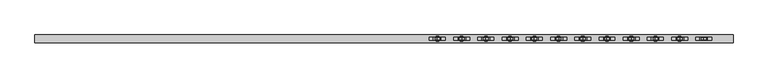
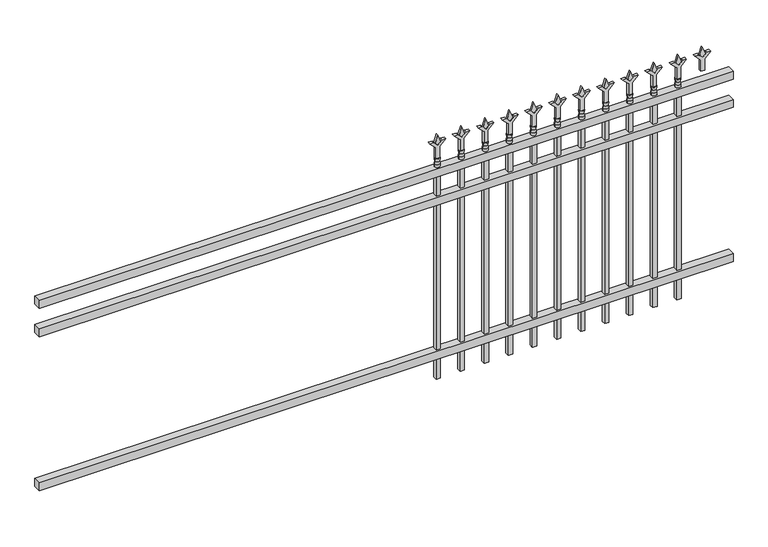
"""IFC4 building model written with IfcOpenShell, lengths in millimetres: railing geometry."""

from ifc_helpers import new_model, si_unit, frame, origin, place, context, project, spatial, polyline, circle_curve, outline, extrude, source, transform, mapped, element, save
from ifc_brep_helpers import plane_surface, cylinder_surface, revolved_surface, advanced_brep


def railing_80ea375d(model_context):
    return source(origin(), model_context, "Body", "SolidModel", [
        extrude(outline(polyline([(-79633.318087, -3091.1195174), (-79633.318087, -3056.1945174), (-76483.718087, -3056.1945174), (-76483.718087, -3091.1195174), (-79633.318087, -3091.1195174)])), frame((0.0, 0.0, 1028.7), z_axis=(0.0, 0.0, 1.0), x_axis=(1.0, 0.0, 0.0)), (0.0, 0.0, 1.0), 38.1),
        extrude(outline(polyline([(-79633.318087, -3091.1195174), (-79633.318087, -3056.1945174), (-76483.718087, -3056.1945174), (-76483.718087, -3091.1195174), (-79633.318087, -3091.1195174)])), frame((0.0, 0.0, 892.175), z_axis=(0.0, 0.0, 1.0), x_axis=(1.0, 0.0, 0.0)), (0.0, 0.0, 1.0), 38.1),
        extrude(outline(polyline([(-79633.318087, -3091.1195174), (-79633.318087, -3056.1945174), (-76483.718087, -3056.1945174), (-76483.718087, -3091.1195174), (-79633.318087, -3091.1195174)])), frame((0.0, 0.0, 152.4), z_axis=(0.0, 0.0, 1.0), x_axis=(1.0, 0.0, 0.0)), (0.0, 0.0, 1.0), 38.1),
        extrude(outline(polyline([(1183.48125, -76712.8472536), (1219.2, -76724.7535036), (1183.48125, -76736.6597536), (1171.575, -76724.7535036), (1183.48125, -76712.8472536)])), frame((0.0, -3078.4195174, 0.0), z_axis=(0.0, 1.0, 0.0), x_axis=(0.0, 0.0, 1.0)), (0.0, 0.0, 1.0), 9.525),
        extrude(outline(polyline([(1108.075, -76716.0222536), (1162.3457378, -76716.0222536), (1189.5355122, -76688.8324791), (1189.5355122, -76706.7929914), (1171.575, -76724.7535036), (1189.5355122, -76742.7140159), (1189.5355122, -76760.6745281), (1162.3457378, -76733.4847536), (1108.075, -76733.4847536), (1108.075, -76716.0222536)])), frame((0.0, -3080.0070174, 0.0), z_axis=(0.0, 1.0, 0.0), x_axis=(0.0, 0.0, 1.0)), (0.0, 0.0, 1.0), 12.7),
        advanced_brep(
        [(-76712.8472536, -3073.6570174, 1079.5), (-76736.6597536, -3073.6570174, 1079.5), (-76736.6597536, -3073.6570174, 1066.8), (-76712.8472536, -3073.6570174, 1066.8), (-76715.0525855, -3073.6570174, 1092.0070585), (-76734.4544218, -3073.6570174, 1092.0070585), (-76712.8472536, -3073.6570174, 1108.075), (-76736.6597536, -3073.6570174, 1108.075), (-76724.7535036, -3073.6570174, 1108.075), (-76724.7535036, -3073.6570174, 1066.8)],
        [
            (0, 1, circle_curve(frame((-76724.7535036, -3073.6570174, 1079.5), z_axis=(0.0, 0.0, -1.0), x_axis=(-1.0, 0.0, 0.0)), 11.90625)),
            (1, 2),
            (2, 3, circle_curve(frame((-76724.7535036, -3073.6570174, 1066.8), z_axis=(0.0, 0.0, 1.0), x_axis=(-1.0, 0.0, 0.0)), 11.90625)),
            (3, 0),
            (1, 0, circle_curve(frame((-76724.7535036, -3073.6570174, 1079.5), z_axis=(0.0, 0.0, -1.0), x_axis=(-1.0, 0.0, 0.0)), 11.90625)),
            (3, 2, circle_curve(frame((-76724.7535036, -3073.6570174, 1066.8), z_axis=(0.0, 0.0, 1.0), x_axis=(-1.0, 0.0, 0.0)), 11.90625)),
            (4, 5, circle_curve(frame((-76724.7535036, -3073.6570174, 1092.0070585), z_axis=(0.0, 0.0, -1.0), x_axis=(-1.0, 0.0, 0.0)), 9.7009181)),
            (5, 1),
            (0, 4),
            (5, 4, circle_curve(frame((-76724.7535036, -3073.6570174, 1092.0070585), z_axis=(0.0, 0.0, -1.0), x_axis=(-1.0, 0.0, 0.0)), 9.7009181)),
            (6, 7, circle_curve(frame((-76724.7535036, -3073.6570174, 1108.075), z_axis=(0.0, 0.0, -1.0), x_axis=(-1.0, 0.0, 0.0)), 11.90625)),
            (7, 5),
            (4, 6),
            (7, 6, circle_curve(frame((-76724.7535036, -3073.6570174, 1108.075), z_axis=(0.0, 0.0, -1.0), x_axis=(-1.0, 0.0, 0.0)), 11.90625)),
            (8, 7),
            (6, 8),
            (2, 9),
            (9, 3),
        ],
        [
            cylinder_surface(frame((-76724.7535036, -3073.6570174, 1066.8), z_axis=(0.0, 0.0, 1.0), x_axis=(-1.0, 0.0, 0.0)), 11.90625),
            revolved_surface(polyline([(-76736.6597536, -3073.6570174, 1079.5), (-76734.4544218, -3073.6570174, 1092.0070585)]), (-76724.7535036, -3073.6570174, 1066.8), (0.0, 0.0, 1.0)),
            revolved_surface(polyline([(-76734.4544218, -3073.6570174, 1092.0070585), (-76736.6597536, -3073.6570174, 1108.075)]), (-76724.7535036, -3073.6570174, 1066.8), (0.0, 0.0, 1.0)),
            plane_surface(frame((-76724.7535036, -3073.6570174, 1108.075), z_axis=(0.0, 0.0, 1.0), x_axis=(-1.0, 0.0, 0.0))),
            plane_surface(frame((-76724.7535036, -3073.6570174, 1066.8), z_axis=(0.0, 0.0, -1.0), x_axis=(-1.0, 0.0, 0.0))),
        ],
        [
            (0, [[1, 2, 3, 4]]),
            (0, [[5, -4, 6, -2]]),
            (1, [[7, 8, -1, 9]]),
            (1, [[10, -9, -5, -8]]),
            (2, [[11, 12, -7, 13]]),
            (2, [[14, -13, -10, -12]]),
            (3, [[15, -11, 16]]),
            (3, [[-16, -14, -15]]),
            (4, [[-3, 17, 18]]),
            (4, [[-6, -18, -17]]),
        ],
    ),
        extrude(outline(polyline([(-76734.2785036, -3064.1320174), (-76715.2285036, -3064.1320174), (-76715.2285036, -3083.1820174), (-76734.2785036, -3083.1820174), (-76734.2785036, -3064.1320174)])), frame((0.0, 0.0, 50.8), z_axis=(0.0, 0.0, 1.0), x_axis=(1.0, 0.0, 0.0)), (0.0, 0.0, 1.0), 1016.0),
        extrude(outline(polyline([(1183.48125, -76822.1201703), (1219.2, -76834.0264203), (1183.48125, -76845.9326703), (1171.575, -76834.0264203), (1183.48125, -76822.1201703)])), frame((0.0, -3078.4195174, 0.0), z_axis=(0.0, 1.0, 0.0), x_axis=(0.0, 0.0, 1.0)), (0.0, 0.0, 1.0), 9.525),
        extrude(outline(polyline([(1108.075, -76825.2951703), (1162.3457378, -76825.2951703), (1189.5355122, -76798.1053958), (1189.5355122, -76816.0659081), (1171.575, -76834.0264203), (1189.5355122, -76851.9869325), (1189.5355122, -76869.9474448), (1162.3457378, -76842.7576703), (1108.075, -76842.7576703), (1108.075, -76825.2951703)])), frame((0.0, -3080.0070174, 0.0), z_axis=(0.0, 1.0, 0.0), x_axis=(0.0, 0.0, 1.0)), (0.0, 0.0, 1.0), 12.7),
        advanced_brep(
        [(-76822.1201703, -3073.6570174, 1079.5), (-76845.9326703, -3073.6570174, 1079.5), (-76845.9326703, -3073.6570174, 1066.8), (-76822.1201703, -3073.6570174, 1066.8), (-76824.3255022, -3073.6570174, 1092.0070585), (-76843.7273384, -3073.6570174, 1092.0070585), (-76822.1201703, -3073.6570174, 1108.075), (-76845.9326703, -3073.6570174, 1108.075), (-76834.0264203, -3073.6570174, 1108.075), (-76834.0264203, -3073.6570174, 1066.8)],
        [
            (0, 1, circle_curve(frame((-76834.0264203, -3073.6570174, 1079.5), z_axis=(0.0, 0.0, -1.0), x_axis=(-1.0, 0.0, 0.0)), 11.90625)),
            (1, 2),
            (2, 3, circle_curve(frame((-76834.0264203, -3073.6570174, 1066.8), z_axis=(0.0, 0.0, 1.0), x_axis=(-1.0, 0.0, 0.0)), 11.90625)),
            (3, 0),
            (1, 0, circle_curve(frame((-76834.0264203, -3073.6570174, 1079.5), z_axis=(0.0, 0.0, -1.0), x_axis=(-1.0, 0.0, 0.0)), 11.90625)),
            (3, 2, circle_curve(frame((-76834.0264203, -3073.6570174, 1066.8), z_axis=(0.0, 0.0, 1.0), x_axis=(-1.0, 0.0, 0.0)), 11.90625)),
            (4, 5, circle_curve(frame((-76834.0264203, -3073.6570174, 1092.0070585), z_axis=(0.0, 0.0, -1.0), x_axis=(-1.0, 0.0, 0.0)), 9.7009181)),
            (5, 1),
            (0, 4),
            (5, 4, circle_curve(frame((-76834.0264203, -3073.6570174, 1092.0070585), z_axis=(0.0, 0.0, -1.0), x_axis=(-1.0, 0.0, 0.0)), 9.7009181)),
            (6, 7, circle_curve(frame((-76834.0264203, -3073.6570174, 1108.075), z_axis=(0.0, 0.0, -1.0), x_axis=(-1.0, 0.0, 0.0)), 11.90625)),
            (7, 5),
            (4, 6),
            (7, 6, circle_curve(frame((-76834.0264203, -3073.6570174, 1108.075), z_axis=(0.0, 0.0, -1.0), x_axis=(-1.0, 0.0, 0.0)), 11.90625)),
            (8, 7),
            (6, 8),
            (2, 9),
            (9, 3),
        ],
        [
            cylinder_surface(frame((-76834.0264203, -3073.6570174, 1066.8), z_axis=(0.0, 0.0, 1.0), x_axis=(-1.0, 0.0, 0.0)), 11.90625),
            revolved_surface(polyline([(-76845.9326703, -3073.6570174, 1079.5), (-76843.7273384, -3073.6570174, 1092.0070585)]), (-76834.0264203, -3073.6570174, 1066.8), (0.0, 0.0, 1.0)),
            revolved_surface(polyline([(-76843.7273384, -3073.6570174, 1092.0070585), (-76845.9326703, -3073.6570174, 1108.075)]), (-76834.0264203, -3073.6570174, 1066.8), (0.0, 0.0, 1.0)),
            plane_surface(frame((-76834.0264203, -3073.6570174, 1108.075), z_axis=(0.0, 0.0, 1.0), x_axis=(-1.0, 0.0, 0.0))),
            plane_surface(frame((-76834.0264203, -3073.6570174, 1066.8), z_axis=(0.0, 0.0, -1.0), x_axis=(-1.0, 0.0, 0.0))),
        ],
        [
            (0, [[1, 2, 3, 4]]),
            (0, [[5, -4, 6, -2]]),
            (1, [[7, 8, -1, 9]]),
            (1, [[10, -9, -5, -8]]),
            (2, [[11, 12, -7, 13]]),
            (2, [[14, -13, -10, -12]]),
            (3, [[15, -11, 16]]),
            (3, [[-16, -14, -15]]),
            (4, [[-3, 17, 18]]),
            (4, [[-6, -18, -17]]),
        ],
    ),
        extrude(outline(polyline([(-76843.5514203, -3064.1320174), (-76824.5014203, -3064.1320174), (-76824.5014203, -3083.1820174), (-76843.5514203, -3083.1820174), (-76843.5514203, -3064.1320174)])), frame((0.0, 0.0, 50.8), z_axis=(0.0, 0.0, 1.0), x_axis=(1.0, 0.0, 0.0)), (0.0, 0.0, 1.0), 1016.0),
        extrude(outline(polyline([(1183.48125, -76931.393087), (1219.2, -76943.299337), (1183.48125, -76955.205587), (1171.575, -76943.299337), (1183.48125, -76931.393087)])), frame((0.0, -3078.4195174, 0.0), z_axis=(0.0, 1.0, 0.0), x_axis=(0.0, 0.0, 1.0)), (0.0, 0.0, 1.0), 9.525),
        extrude(outline(polyline([(1108.075, -76934.568087), (1162.3457378, -76934.568087), (1189.5355122, -76907.3783125), (1189.5355122, -76925.3388247), (1171.575, -76943.299337), (1189.5355122, -76961.2598492), (1189.5355122, -76979.2203614), (1162.3457378, -76952.030587), (1108.075, -76952.030587), (1108.075, -76934.568087)])), frame((0.0, -3080.0070174, 0.0), z_axis=(0.0, 1.0, 0.0), x_axis=(0.0, 0.0, 1.0)), (0.0, 0.0, 1.0), 12.7),
        advanced_brep(
        [(-76931.393087, -3073.6570174, 1079.5), (-76955.205587, -3073.6570174, 1079.5), (-76955.205587, -3073.6570174, 1066.8), (-76931.393087, -3073.6570174, 1066.8), (-76933.5984188, -3073.6570174, 1092.0070585), (-76953.0002551, -3073.6570174, 1092.0070585), (-76931.393087, -3073.6570174, 1108.075), (-76955.205587, -3073.6570174, 1108.075), (-76943.299337, -3073.6570174, 1108.075), (-76943.299337, -3073.6570174, 1066.8)],
        [
            (0, 1, circle_curve(frame((-76943.299337, -3073.6570174, 1079.5), z_axis=(0.0, 0.0, -1.0), x_axis=(-1.0, 0.0, 0.0)), 11.90625)),
            (1, 2),
            (2, 3, circle_curve(frame((-76943.299337, -3073.6570174, 1066.8), z_axis=(0.0, 0.0, 1.0), x_axis=(-1.0, 0.0, 0.0)), 11.90625)),
            (3, 0),
            (1, 0, circle_curve(frame((-76943.299337, -3073.6570174, 1079.5), z_axis=(0.0, 0.0, -1.0), x_axis=(-1.0, 0.0, 0.0)), 11.90625)),
            (3, 2, circle_curve(frame((-76943.299337, -3073.6570174, 1066.8), z_axis=(0.0, 0.0, 1.0), x_axis=(-1.0, 0.0, 0.0)), 11.90625)),
            (4, 5, circle_curve(frame((-76943.299337, -3073.6570174, 1092.0070585), z_axis=(0.0, 0.0, -1.0), x_axis=(-1.0, 0.0, 0.0)), 9.7009181)),
            (5, 1),
            (0, 4),
            (5, 4, circle_curve(frame((-76943.299337, -3073.6570174, 1092.0070585), z_axis=(0.0, 0.0, -1.0), x_axis=(-1.0, 0.0, 0.0)), 9.7009181)),
            (6, 7, circle_curve(frame((-76943.299337, -3073.6570174, 1108.075), z_axis=(0.0, 0.0, -1.0), x_axis=(-1.0, 0.0, 0.0)), 11.90625)),
            (7, 5),
            (4, 6),
            (7, 6, circle_curve(frame((-76943.299337, -3073.6570174, 1108.075), z_axis=(0.0, 0.0, -1.0), x_axis=(-1.0, 0.0, 0.0)), 11.90625)),
            (8, 7),
            (6, 8),
            (2, 9),
            (9, 3),
        ],
        [
            cylinder_surface(frame((-76943.299337, -3073.6570174, 1066.8), z_axis=(0.0, 0.0, 1.0), x_axis=(-1.0, 0.0, 0.0)), 11.90625),
            revolved_surface(polyline([(-76955.205587, -3073.6570174, 1079.5), (-76953.0002551, -3073.6570174, 1092.0070585)]), (-76943.299337, -3073.6570174, 1066.8), (0.0, 0.0, 1.0)),
            revolved_surface(polyline([(-76953.0002551, -3073.6570174, 1092.0070585), (-76955.205587, -3073.6570174, 1108.075)]), (-76943.299337, -3073.6570174, 1066.8), (0.0, 0.0, 1.0)),
            plane_surface(frame((-76943.299337, -3073.6570174, 1108.075), z_axis=(0.0, 0.0, 1.0), x_axis=(-1.0, 0.0, 0.0))),
            plane_surface(frame((-76943.299337, -3073.6570174, 1066.8), z_axis=(0.0, 0.0, -1.0), x_axis=(-1.0, 0.0, 0.0))),
        ],
        [
            (0, [[1, 2, 3, 4]]),
            (0, [[5, -4, 6, -2]]),
            (1, [[7, 8, -1, 9]]),
            (1, [[10, -9, -5, -8]]),
            (2, [[11, 12, -7, 13]]),
            (2, [[14, -13, -10, -12]]),
            (3, [[15, -11, 16]]),
            (3, [[-16, -14, -15]]),
            (4, [[-3, 17, 18]]),
            (4, [[-6, -18, -17]]),
        ],
    ),
        extrude(outline(polyline([(-76952.824337, -3064.1320174), (-76933.774337, -3064.1320174), (-76933.774337, -3083.1820174), (-76952.824337, -3083.1820174), (-76952.824337, -3064.1320174)])), frame((0.0, 0.0, 50.8), z_axis=(0.0, 0.0, 1.0), x_axis=(1.0, 0.0, 0.0)), (0.0, 0.0, 1.0), 1016.0),
        extrude(outline(polyline([(1183.48125, -77040.6660036), (1219.2, -77052.5722536), (1183.48125, -77064.4785036), (1171.575, -77052.5722536), (1183.48125, -77040.6660036)])), frame((0.0, -3078.4195174, 0.0), z_axis=(0.0, 1.0, 0.0), x_axis=(0.0, 0.0, 1.0)), (0.0, 0.0, 1.0), 9.525),
        extrude(outline(polyline([(1108.075, -77043.8410036), (1162.3457378, -77043.8410036), (1189.5355122, -77016.6512291), (1189.5355122, -77034.6117414), (1171.575, -77052.5722536), (1189.5355122, -77070.5327659), (1189.5355122, -77088.4932781), (1162.3457378, -77061.3035036), (1108.075, -77061.3035036), (1108.075, -77043.8410036)])), frame((0.0, -3080.0070174, 0.0), z_axis=(0.0, 1.0, 0.0), x_axis=(0.0, 0.0, 1.0)), (0.0, 0.0, 1.0), 12.7),
        advanced_brep(
        [(-77040.6660036, -3073.6570174, 1079.5), (-77064.4785036, -3073.6570174, 1079.5), (-77064.4785036, -3073.6570174, 1066.8), (-77040.6660036, -3073.6570174, 1066.8), (-77042.8713355, -3073.6570174, 1092.0070585), (-77062.2731718, -3073.6570174, 1092.0070585), (-77040.6660036, -3073.6570174, 1108.075), (-77064.4785036, -3073.6570174, 1108.075), (-77052.5722536, -3073.6570174, 1108.075), (-77052.5722536, -3073.6570174, 1066.8)],
        [
            (0, 1, circle_curve(frame((-77052.5722536, -3073.6570174, 1079.5), z_axis=(0.0, 0.0, -1.0), x_axis=(-1.0, 0.0, 0.0)), 11.90625)),
            (1, 2),
            (2, 3, circle_curve(frame((-77052.5722536, -3073.6570174, 1066.8), z_axis=(0.0, 0.0, 1.0), x_axis=(-1.0, 0.0, 0.0)), 11.90625)),
            (3, 0),
            (1, 0, circle_curve(frame((-77052.5722536, -3073.6570174, 1079.5), z_axis=(0.0, 0.0, -1.0), x_axis=(-1.0, 0.0, 0.0)), 11.90625)),
            (3, 2, circle_curve(frame((-77052.5722536, -3073.6570174, 1066.8), z_axis=(0.0, 0.0, 1.0), x_axis=(-1.0, 0.0, 0.0)), 11.90625)),
            (4, 5, circle_curve(frame((-77052.5722536, -3073.6570174, 1092.0070585), z_axis=(0.0, 0.0, -1.0), x_axis=(-1.0, 0.0, 0.0)), 9.7009181)),
            (5, 1),
            (0, 4),
            (5, 4, circle_curve(frame((-77052.5722536, -3073.6570174, 1092.0070585), z_axis=(0.0, 0.0, -1.0), x_axis=(-1.0, 0.0, 0.0)), 9.7009181)),
            (6, 7, circle_curve(frame((-77052.5722536, -3073.6570174, 1108.075), z_axis=(0.0, 0.0, -1.0), x_axis=(-1.0, 0.0, 0.0)), 11.90625)),
            (7, 5),
            (4, 6),
            (7, 6, circle_curve(frame((-77052.5722536, -3073.6570174, 1108.075), z_axis=(0.0, 0.0, -1.0), x_axis=(-1.0, 0.0, 0.0)), 11.90625)),
            (8, 7),
            (6, 8),
            (2, 9),
            (9, 3),
        ],
        [
            cylinder_surface(frame((-77052.5722536, -3073.6570174, 1066.8), z_axis=(0.0, 0.0, 1.0), x_axis=(-1.0, 0.0, 0.0)), 11.90625),
            revolved_surface(polyline([(-77064.4785036, -3073.6570174, 1079.5), (-77062.2731718, -3073.6570174, 1092.0070585)]), (-77052.5722536, -3073.6570174, 1066.8), (0.0, 0.0, 1.0)),
            revolved_surface(polyline([(-77062.2731718, -3073.6570174, 1092.0070585), (-77064.4785036, -3073.6570174, 1108.075)]), (-77052.5722536, -3073.6570174, 1066.8), (0.0, 0.0, 1.0)),
            plane_surface(frame((-77052.5722536, -3073.6570174, 1108.075), z_axis=(0.0, 0.0, 1.0), x_axis=(-1.0, 0.0, 0.0))),
            plane_surface(frame((-77052.5722536, -3073.6570174, 1066.8), z_axis=(0.0, 0.0, -1.0), x_axis=(-1.0, 0.0, 0.0))),
        ],
        [
            (0, [[1, 2, 3, 4]]),
            (0, [[5, -4, 6, -2]]),
            (1, [[7, 8, -1, 9]]),
            (1, [[10, -9, -5, -8]]),
            (2, [[11, 12, -7, 13]]),
            (2, [[14, -13, -10, -12]]),
            (3, [[15, -11, 16]]),
            (3, [[-16, -14, -15]]),
            (4, [[-3, 17, 18]]),
            (4, [[-6, -18, -17]]),
        ],
    ),
        extrude(outline(polyline([(-77062.0972536, -3064.1320174), (-77043.0472536, -3064.1320174), (-77043.0472536, -3083.1820174), (-77062.0972536, -3083.1820174), (-77062.0972536, -3064.1320174)])), frame((0.0, 0.0, 50.8), z_axis=(0.0, 0.0, 1.0), x_axis=(1.0, 0.0, 0.0)), (0.0, 0.0, 1.0), 1016.0),
        extrude(outline(polyline([(1183.48125, -77149.9389203), (1219.2, -77161.8451703), (1183.48125, -77173.7514203), (1171.575, -77161.8451703), (1183.48125, -77149.9389203)])), frame((0.0, -3078.4195174, 0.0), z_axis=(0.0, 1.0, 0.0), x_axis=(0.0, 0.0, 1.0)), (0.0, 0.0, 1.0), 9.525),
        extrude(outline(polyline([(1108.075, -77153.1139203), (1162.3457378, -77153.1139203), (1189.5355122, -77125.9241458), (1189.5355122, -77143.8846581), (1171.575, -77161.8451703), (1189.5355122, -77179.8056825), (1189.5355122, -77197.7661948), (1162.3457378, -77170.5764203), (1108.075, -77170.5764203), (1108.075, -77153.1139203)])), frame((0.0, -3080.0070174, 0.0), z_axis=(0.0, 1.0, 0.0), x_axis=(0.0, 0.0, 1.0)), (0.0, 0.0, 1.0), 12.7),
        advanced_brep(
        [(-77149.9389203, -3073.6570174, 1079.5), (-77173.7514203, -3073.6570174, 1079.5), (-77173.7514203, -3073.6570174, 1066.8), (-77149.9389203, -3073.6570174, 1066.8), (-77152.1442522, -3073.6570174, 1092.0070585), (-77171.5460884, -3073.6570174, 1092.0070585), (-77149.9389203, -3073.6570174, 1108.075), (-77173.7514203, -3073.6570174, 1108.075), (-77161.8451703, -3073.6570174, 1108.075), (-77161.8451703, -3073.6570174, 1066.8)],
        [
            (0, 1, circle_curve(frame((-77161.8451703, -3073.6570174, 1079.5), z_axis=(0.0, 0.0, -1.0), x_axis=(-1.0, 0.0, 0.0)), 11.90625)),
            (1, 2),
            (2, 3, circle_curve(frame((-77161.8451703, -3073.6570174, 1066.8), z_axis=(0.0, 0.0, 1.0), x_axis=(-1.0, 0.0, 0.0)), 11.90625)),
            (3, 0),
            (1, 0, circle_curve(frame((-77161.8451703, -3073.6570174, 1079.5), z_axis=(0.0, 0.0, -1.0), x_axis=(-1.0, 0.0, 0.0)), 11.90625)),
            (3, 2, circle_curve(frame((-77161.8451703, -3073.6570174, 1066.8), z_axis=(0.0, 0.0, 1.0), x_axis=(-1.0, 0.0, 0.0)), 11.90625)),
            (4, 5, circle_curve(frame((-77161.8451703, -3073.6570174, 1092.0070585), z_axis=(0.0, 0.0, -1.0), x_axis=(-1.0, 0.0, 0.0)), 9.7009181)),
            (5, 1),
            (0, 4),
            (5, 4, circle_curve(frame((-77161.8451703, -3073.6570174, 1092.0070585), z_axis=(0.0, 0.0, -1.0), x_axis=(-1.0, 0.0, 0.0)), 9.7009181)),
            (6, 7, circle_curve(frame((-77161.8451703, -3073.6570174, 1108.075), z_axis=(0.0, 0.0, -1.0), x_axis=(-1.0, 0.0, 0.0)), 11.90625)),
            (7, 5),
            (4, 6),
            (7, 6, circle_curve(frame((-77161.8451703, -3073.6570174, 1108.075), z_axis=(0.0, 0.0, -1.0), x_axis=(-1.0, 0.0, 0.0)), 11.90625)),
            (8, 7),
            (6, 8),
            (2, 9),
            (9, 3),
        ],
        [
            cylinder_surface(frame((-77161.8451703, -3073.6570174, 1066.8), z_axis=(0.0, 0.0, 1.0), x_axis=(-1.0, 0.0, 0.0)), 11.90625),
            revolved_surface(polyline([(-77173.7514203, -3073.6570174, 1079.5), (-77171.5460884, -3073.6570174, 1092.0070585)]), (-77161.8451703, -3073.6570174, 1066.8), (0.0, 0.0, 1.0)),
            revolved_surface(polyline([(-77171.5460884, -3073.6570174, 1092.0070585), (-77173.7514203, -3073.6570174, 1108.075)]), (-77161.8451703, -3073.6570174, 1066.8), (0.0, 0.0, 1.0)),
            plane_surface(frame((-77161.8451703, -3073.6570174, 1108.075), z_axis=(0.0, 0.0, 1.0), x_axis=(-1.0, 0.0, 0.0))),
            plane_surface(frame((-77161.8451703, -3073.6570174, 1066.8), z_axis=(0.0, 0.0, -1.0), x_axis=(-1.0, 0.0, 0.0))),
        ],
        [
            (0, [[1, 2, 3, 4]]),
            (0, [[5, -4, 6, -2]]),
            (1, [[7, 8, -1, 9]]),
            (1, [[10, -9, -5, -8]]),
            (2, [[11, 12, -7, 13]]),
            (2, [[14, -13, -10, -12]]),
            (3, [[15, -11, 16]]),
            (3, [[-16, -14, -15]]),
            (4, [[-3, 17, 18]]),
            (4, [[-6, -18, -17]]),
        ],
    ),
        extrude(outline(polyline([(-77171.3701703, -3064.1320174), (-77152.3201703, -3064.1320174), (-77152.3201703, -3083.1820174), (-77171.3701703, -3083.1820174), (-77171.3701703, -3064.1320174)])), frame((0.0, 0.0, 50.8), z_axis=(0.0, 0.0, 1.0), x_axis=(1.0, 0.0, 0.0)), (0.0, 0.0, 1.0), 1016.0),
        extrude(outline(polyline([(1183.48125, -77259.211837), (1219.2, -77271.118087), (1183.48125, -77283.024337), (1171.575, -77271.118087), (1183.48125, -77259.211837)])), frame((0.0, -3078.4195174, 0.0), z_axis=(0.0, 1.0, 0.0), x_axis=(0.0, 0.0, 1.0)), (0.0, 0.0, 1.0), 9.525),
        extrude(outline(polyline([(1108.075, -77262.386837), (1162.3457378, -77262.386837), (1189.5355122, -77235.1970625), (1189.5355122, -77253.1575747), (1171.575, -77271.118087), (1189.5355122, -77289.0785992), (1189.5355122, -77307.0391114), (1162.3457378, -77279.849337), (1108.075, -77279.849337), (1108.075, -77262.386837)])), frame((0.0, -3080.0070174, 0.0), z_axis=(0.0, 1.0, 0.0), x_axis=(0.0, 0.0, 1.0)), (0.0, 0.0, 1.0), 12.7),
        advanced_brep(
        [(-77259.211837, -3073.6570174, 1079.5), (-77283.024337, -3073.6570174, 1079.5), (-77283.024337, -3073.6570174, 1066.8), (-77259.211837, -3073.6570174, 1066.8), (-77261.4171688, -3073.6570174, 1092.0070585), (-77280.8190051, -3073.6570174, 1092.0070585), (-77259.211837, -3073.6570174, 1108.075), (-77283.024337, -3073.6570174, 1108.075), (-77271.118087, -3073.6570174, 1108.075), (-77271.118087, -3073.6570174, 1066.8)],
        [
            (0, 1, circle_curve(frame((-77271.118087, -3073.6570174, 1079.5), z_axis=(0.0, 0.0, -1.0), x_axis=(-1.0, 0.0, 0.0)), 11.90625)),
            (1, 2),
            (2, 3, circle_curve(frame((-77271.118087, -3073.6570174, 1066.8), z_axis=(0.0, 0.0, 1.0), x_axis=(-1.0, 0.0, 0.0)), 11.90625)),
            (3, 0),
            (1, 0, circle_curve(frame((-77271.118087, -3073.6570174, 1079.5), z_axis=(0.0, 0.0, -1.0), x_axis=(-1.0, 0.0, 0.0)), 11.90625)),
            (3, 2, circle_curve(frame((-77271.118087, -3073.6570174, 1066.8), z_axis=(0.0, 0.0, 1.0), x_axis=(-1.0, 0.0, 0.0)), 11.90625)),
            (4, 5, circle_curve(frame((-77271.118087, -3073.6570174, 1092.0070585), z_axis=(0.0, 0.0, -1.0), x_axis=(-1.0, 0.0, 0.0)), 9.7009181)),
            (5, 1),
            (0, 4),
            (5, 4, circle_curve(frame((-77271.118087, -3073.6570174, 1092.0070585), z_axis=(0.0, 0.0, -1.0), x_axis=(-1.0, 0.0, 0.0)), 9.7009181)),
            (6, 7, circle_curve(frame((-77271.118087, -3073.6570174, 1108.075), z_axis=(0.0, 0.0, -1.0), x_axis=(-1.0, 0.0, 0.0)), 11.90625)),
            (7, 5),
            (4, 6),
            (7, 6, circle_curve(frame((-77271.118087, -3073.6570174, 1108.075), z_axis=(0.0, 0.0, -1.0), x_axis=(-1.0, 0.0, 0.0)), 11.90625)),
            (8, 7),
            (6, 8),
            (2, 9),
            (9, 3),
        ],
        [
            cylinder_surface(frame((-77271.118087, -3073.6570174, 1066.8), z_axis=(0.0, 0.0, 1.0), x_axis=(-1.0, 0.0, 0.0)), 11.90625),
            revolved_surface(polyline([(-77283.024337, -3073.6570174, 1079.5), (-77280.8190051, -3073.6570174, 1092.0070585)]), (-77271.118087, -3073.6570174, 1066.8), (0.0, 0.0, 1.0)),
            revolved_surface(polyline([(-77280.8190051, -3073.6570174, 1092.0070585), (-77283.024337, -3073.6570174, 1108.075)]), (-77271.118087, -3073.6570174, 1066.8), (0.0, 0.0, 1.0)),
            plane_surface(frame((-77271.118087, -3073.6570174, 1108.075), z_axis=(0.0, 0.0, 1.0), x_axis=(-1.0, 0.0, 0.0))),
            plane_surface(frame((-77271.118087, -3073.6570174, 1066.8), z_axis=(0.0, 0.0, -1.0), x_axis=(-1.0, 0.0, 0.0))),
        ],
        [
            (0, [[1, 2, 3, 4]]),
            (0, [[5, -4, 6, -2]]),
            (1, [[7, 8, -1, 9]]),
            (1, [[10, -9, -5, -8]]),
            (2, [[11, 12, -7, 13]]),
            (2, [[14, -13, -10, -12]]),
            (3, [[15, -11, 16]]),
            (3, [[-16, -14, -15]]),
            (4, [[-3, 17, 18]]),
            (4, [[-6, -18, -17]]),
        ],
    ),
        extrude(outline(polyline([(-77280.643087, -3064.1320174), (-77261.593087, -3064.1320174), (-77261.593087, -3083.1820174), (-77280.643087, -3083.1820174), (-77280.643087, -3064.1320174)])), frame((0.0, 0.0, 50.8), z_axis=(0.0, 0.0, 1.0), x_axis=(1.0, 0.0, 0.0)), (0.0, 0.0, 1.0), 1016.0),
        extrude(outline(polyline([(1183.48125, -77368.4847536), (1219.2, -77380.3910036), (1183.48125, -77392.2972536), (1171.575, -77380.3910036), (1183.48125, -77368.4847536)])), frame((0.0, -3078.4195174, 0.0), z_axis=(0.0, 1.0, 0.0), x_axis=(0.0, 0.0, 1.0)), (0.0, 0.0, 1.0), 9.525),
        extrude(outline(polyline([(1108.075, -77371.6597536), (1162.3457378, -77371.6597536), (1189.5355122, -77344.4699791), (1189.5355122, -77362.4304914), (1171.575, -77380.3910036), (1189.5355122, -77398.3515159), (1189.5355122, -77416.3120281), (1162.3457378, -77389.1222536), (1108.075, -77389.1222536), (1108.075, -77371.6597536)])), frame((0.0, -3080.0070174, 0.0), z_axis=(0.0, 1.0, 0.0), x_axis=(0.0, 0.0, 1.0)), (0.0, 0.0, 1.0), 12.7),
        advanced_brep(
        [(-77368.4847536, -3073.6570174, 1079.5), (-77392.2972536, -3073.6570174, 1079.5), (-77392.2972536, -3073.6570174, 1066.8), (-77368.4847536, -3073.6570174, 1066.8), (-77370.6900855, -3073.6570174, 1092.0070585), (-77390.0919218, -3073.6570174, 1092.0070585), (-77368.4847536, -3073.6570174, 1108.075), (-77392.2972536, -3073.6570174, 1108.075), (-77380.3910036, -3073.6570174, 1108.075), (-77380.3910036, -3073.6570174, 1066.8)],
        [
            (0, 1, circle_curve(frame((-77380.3910036, -3073.6570174, 1079.5), z_axis=(0.0, 0.0, -1.0), x_axis=(-1.0, 0.0, 0.0)), 11.90625)),
            (1, 2),
            (2, 3, circle_curve(frame((-77380.3910036, -3073.6570174, 1066.8), z_axis=(0.0, 0.0, 1.0), x_axis=(-1.0, 0.0, 0.0)), 11.90625)),
            (3, 0),
            (1, 0, circle_curve(frame((-77380.3910036, -3073.6570174, 1079.5), z_axis=(0.0, 0.0, -1.0), x_axis=(-1.0, 0.0, 0.0)), 11.90625)),
            (3, 2, circle_curve(frame((-77380.3910036, -3073.6570174, 1066.8), z_axis=(0.0, 0.0, 1.0), x_axis=(-1.0, 0.0, 0.0)), 11.90625)),
            (4, 5, circle_curve(frame((-77380.3910036, -3073.6570174, 1092.0070585), z_axis=(0.0, 0.0, -1.0), x_axis=(-1.0, 0.0, 0.0)), 9.7009181)),
            (5, 1),
            (0, 4),
            (5, 4, circle_curve(frame((-77380.3910036, -3073.6570174, 1092.0070585), z_axis=(0.0, 0.0, -1.0), x_axis=(-1.0, 0.0, 0.0)), 9.7009181)),
            (6, 7, circle_curve(frame((-77380.3910036, -3073.6570174, 1108.075), z_axis=(0.0, 0.0, -1.0), x_axis=(-1.0, 0.0, 0.0)), 11.90625)),
            (7, 5),
            (4, 6),
            (7, 6, circle_curve(frame((-77380.3910036, -3073.6570174, 1108.075), z_axis=(0.0, 0.0, -1.0), x_axis=(-1.0, 0.0, 0.0)), 11.90625)),
            (8, 7),
            (6, 8),
            (2, 9),
            (9, 3),
        ],
        [
            cylinder_surface(frame((-77380.3910036, -3073.6570174, 1066.8), z_axis=(0.0, 0.0, 1.0), x_axis=(-1.0, 0.0, 0.0)), 11.90625),
            revolved_surface(polyline([(-77392.2972536, -3073.6570174, 1079.5), (-77390.0919218, -3073.6570174, 1092.0070585)]), (-77380.3910036, -3073.6570174, 1066.8), (0.0, 0.0, 1.0)),
            revolved_surface(polyline([(-77390.0919218, -3073.6570174, 1092.0070585), (-77392.2972536, -3073.6570174, 1108.075)]), (-77380.3910036, -3073.6570174, 1066.8), (0.0, 0.0, 1.0)),
            plane_surface(frame((-77380.3910036, -3073.6570174, 1108.075), z_axis=(0.0, 0.0, 1.0), x_axis=(-1.0, 0.0, 0.0))),
            plane_surface(frame((-77380.3910036, -3073.6570174, 1066.8), z_axis=(0.0, 0.0, -1.0), x_axis=(-1.0, 0.0, 0.0))),
        ],
        [
            (0, [[1, 2, 3, 4]]),
            (0, [[5, -4, 6, -2]]),
            (1, [[7, 8, -1, 9]]),
            (1, [[10, -9, -5, -8]]),
            (2, [[11, 12, -7, 13]]),
            (2, [[14, -13, -10, -12]]),
            (3, [[15, -11, 16]]),
            (3, [[-16, -14, -15]]),
            (4, [[-3, 17, 18]]),
            (4, [[-6, -18, -17]]),
        ],
    ),
        extrude(outline(polyline([(-77389.9160036, -3064.1320174), (-77370.8660036, -3064.1320174), (-77370.8660036, -3083.1820174), (-77389.9160036, -3083.1820174), (-77389.9160036, -3064.1320174)])), frame((0.0, 0.0, 50.8), z_axis=(0.0, 0.0, 1.0), x_axis=(1.0, 0.0, 0.0)), (0.0, 0.0, 1.0), 1016.0),
        extrude(outline(polyline([(1183.48125, -77477.7576703), (1219.2, -77489.6639203), (1183.48125, -77501.5701703), (1171.575, -77489.6639203), (1183.48125, -77477.7576703)])), frame((0.0, -3078.4195174, 0.0), z_axis=(0.0, 1.0, 0.0), x_axis=(0.0, 0.0, 1.0)), (0.0, 0.0, 1.0), 9.525),
        extrude(outline(polyline([(1108.075, -77480.9326703), (1162.3457378, -77480.9326703), (1189.5355122, -77453.7428958), (1189.5355122, -77471.7034081), (1171.575, -77489.6639203), (1189.5355122, -77507.6244325), (1189.5355122, -77525.5849448), (1162.3457378, -77498.3951703), (1108.075, -77498.3951703), (1108.075, -77480.9326703)])), frame((0.0, -3080.0070174, 0.0), z_axis=(0.0, 1.0, 0.0), x_axis=(0.0, 0.0, 1.0)), (0.0, 0.0, 1.0), 12.7),
        advanced_brep(
        [(-77477.7576703, -3073.6570174, 1079.5), (-77501.5701703, -3073.6570174, 1079.5), (-77501.5701703, -3073.6570174, 1066.8), (-77477.7576703, -3073.6570174, 1066.8), (-77479.9630022, -3073.6570174, 1092.0070585), (-77499.3648384, -3073.6570174, 1092.0070585), (-77477.7576703, -3073.6570174, 1108.075), (-77501.5701703, -3073.6570174, 1108.075), (-77489.6639203, -3073.6570174, 1108.075), (-77489.6639203, -3073.6570174, 1066.8)],
        [
            (0, 1, circle_curve(frame((-77489.6639203, -3073.6570174, 1079.5), z_axis=(0.0, 0.0, -1.0), x_axis=(-1.0, 0.0, 0.0)), 11.90625)),
            (1, 2),
            (2, 3, circle_curve(frame((-77489.6639203, -3073.6570174, 1066.8), z_axis=(0.0, 0.0, 1.0), x_axis=(-1.0, 0.0, 0.0)), 11.90625)),
            (3, 0),
            (1, 0, circle_curve(frame((-77489.6639203, -3073.6570174, 1079.5), z_axis=(0.0, 0.0, -1.0), x_axis=(-1.0, 0.0, 0.0)), 11.90625)),
            (3, 2, circle_curve(frame((-77489.6639203, -3073.6570174, 1066.8), z_axis=(0.0, 0.0, 1.0), x_axis=(-1.0, 0.0, 0.0)), 11.90625)),
            (4, 5, circle_curve(frame((-77489.6639203, -3073.6570174, 1092.0070585), z_axis=(0.0, 0.0, -1.0), x_axis=(-1.0, 0.0, 0.0)), 9.7009181)),
            (5, 1),
            (0, 4),
            (5, 4, circle_curve(frame((-77489.6639203, -3073.6570174, 1092.0070585), z_axis=(0.0, 0.0, -1.0), x_axis=(-1.0, 0.0, 0.0)), 9.7009181)),
            (6, 7, circle_curve(frame((-77489.6639203, -3073.6570174, 1108.075), z_axis=(0.0, 0.0, -1.0), x_axis=(-1.0, 0.0, 0.0)), 11.90625)),
            (7, 5),
            (4, 6),
            (7, 6, circle_curve(frame((-77489.6639203, -3073.6570174, 1108.075), z_axis=(0.0, 0.0, -1.0), x_axis=(-1.0, 0.0, 0.0)), 11.90625)),
            (8, 7),
            (6, 8),
            (2, 9),
            (9, 3),
        ],
        [
            cylinder_surface(frame((-77489.6639203, -3073.6570174, 1066.8), z_axis=(0.0, 0.0, 1.0), x_axis=(-1.0, 0.0, 0.0)), 11.90625),
            revolved_surface(polyline([(-77501.5701703, -3073.6570174, 1079.5), (-77499.3648384, -3073.6570174, 1092.0070585)]), (-77489.6639203, -3073.6570174, 1066.8), (0.0, 0.0, 1.0)),
            revolved_surface(polyline([(-77499.3648384, -3073.6570174, 1092.0070585), (-77501.5701703, -3073.6570174, 1108.075)]), (-77489.6639203, -3073.6570174, 1066.8), (0.0, 0.0, 1.0)),
            plane_surface(frame((-77489.6639203, -3073.6570174, 1108.075), z_axis=(0.0, 0.0, 1.0), x_axis=(-1.0, 0.0, 0.0))),
            plane_surface(frame((-77489.6639203, -3073.6570174, 1066.8), z_axis=(0.0, 0.0, -1.0), x_axis=(-1.0, 0.0, 0.0))),
        ],
        [
            (0, [[1, 2, 3, 4]]),
            (0, [[5, -4, 6, -2]]),
            (1, [[7, 8, -1, 9]]),
            (1, [[10, -9, -5, -8]]),
            (2, [[11, 12, -7, 13]]),
            (2, [[14, -13, -10, -12]]),
            (3, [[15, -11, 16]]),
            (3, [[-16, -14, -15]]),
            (4, [[-3, 17, 18]]),
            (4, [[-6, -18, -17]]),
        ],
    ),
        extrude(outline(polyline([(-77499.1889203, -3064.1320174), (-77480.1389203, -3064.1320174), (-77480.1389203, -3083.1820174), (-77499.1889203, -3083.1820174), (-77499.1889203, -3064.1320174)])), frame((0.0, 0.0, 50.8), z_axis=(0.0, 0.0, 1.0), x_axis=(1.0, 0.0, 0.0)), (0.0, 0.0, 1.0), 1016.0),
        extrude(outline(polyline([(1183.48125, -77587.030587), (1219.2, -77598.936837), (1183.48125, -77610.843087), (1171.575, -77598.936837), (1183.48125, -77587.030587)])), frame((0.0, -3078.4195174, 0.0), z_axis=(0.0, 1.0, 0.0), x_axis=(0.0, 0.0, 1.0)), (0.0, 0.0, 1.0), 9.525),
        extrude(outline(polyline([(1108.075, -77590.205587), (1162.3457378, -77590.205587), (1189.5355122, -77563.0158125), (1189.5355122, -77580.9763247), (1171.575, -77598.936837), (1189.5355122, -77616.8973492), (1189.5355122, -77634.8578614), (1162.3457378, -77607.668087), (1108.075, -77607.668087), (1108.075, -77590.205587)])), frame((0.0, -3080.0070174, 0.0), z_axis=(0.0, 1.0, 0.0), x_axis=(0.0, 0.0, 1.0)), (0.0, 0.0, 1.0), 12.7),
        advanced_brep(
        [(-77587.030587, -3073.6570174, 1079.5), (-77610.843087, -3073.6570174, 1079.5), (-77610.843087, -3073.6570174, 1066.8), (-77587.030587, -3073.6570174, 1066.8), (-77589.2359188, -3073.6570174, 1092.0070585), (-77608.6377551, -3073.6570174, 1092.0070585), (-77587.030587, -3073.6570174, 1108.075), (-77610.843087, -3073.6570174, 1108.075), (-77598.936837, -3073.6570174, 1108.075), (-77598.936837, -3073.6570174, 1066.8)],
        [
            (0, 1, circle_curve(frame((-77598.936837, -3073.6570174, 1079.5), z_axis=(0.0, 0.0, -1.0), x_axis=(-1.0, 0.0, 0.0)), 11.90625)),
            (1, 2),
            (2, 3, circle_curve(frame((-77598.936837, -3073.6570174, 1066.8), z_axis=(0.0, 0.0, 1.0), x_axis=(-1.0, 0.0, 0.0)), 11.90625)),
            (3, 0),
            (1, 0, circle_curve(frame((-77598.936837, -3073.6570174, 1079.5), z_axis=(0.0, 0.0, -1.0), x_axis=(-1.0, 0.0, 0.0)), 11.90625)),
            (3, 2, circle_curve(frame((-77598.936837, -3073.6570174, 1066.8), z_axis=(0.0, 0.0, 1.0), x_axis=(-1.0, 0.0, 0.0)), 11.90625)),
            (4, 5, circle_curve(frame((-77598.936837, -3073.6570174, 1092.0070585), z_axis=(0.0, 0.0, -1.0), x_axis=(-1.0, 0.0, 0.0)), 9.7009181)),
            (5, 1),
            (0, 4),
            (5, 4, circle_curve(frame((-77598.936837, -3073.6570174, 1092.0070585), z_axis=(0.0, 0.0, -1.0), x_axis=(-1.0, 0.0, 0.0)), 9.7009181)),
            (6, 7, circle_curve(frame((-77598.936837, -3073.6570174, 1108.075), z_axis=(0.0, 0.0, -1.0), x_axis=(-1.0, 0.0, 0.0)), 11.90625)),
            (7, 5),
            (4, 6),
            (7, 6, circle_curve(frame((-77598.936837, -3073.6570174, 1108.075), z_axis=(0.0, 0.0, -1.0), x_axis=(-1.0, 0.0, 0.0)), 11.90625)),
            (8, 7),
            (6, 8),
            (2, 9),
            (9, 3),
        ],
        [
            cylinder_surface(frame((-77598.936837, -3073.6570174, 1066.8), z_axis=(0.0, 0.0, 1.0), x_axis=(-1.0, 0.0, 0.0)), 11.90625),
            revolved_surface(polyline([(-77610.843087, -3073.6570174, 1079.5), (-77608.6377551, -3073.6570174, 1092.0070585)]), (-77598.936837, -3073.6570174, 1066.8), (0.0, 0.0, 1.0)),
            revolved_surface(polyline([(-77608.6377551, -3073.6570174, 1092.0070585), (-77610.843087, -3073.6570174, 1108.075)]), (-77598.936837, -3073.6570174, 1066.8), (0.0, 0.0, 1.0)),
            plane_surface(frame((-77598.936837, -3073.6570174, 1108.075), z_axis=(0.0, 0.0, 1.0), x_axis=(-1.0, 0.0, 0.0))),
            plane_surface(frame((-77598.936837, -3073.6570174, 1066.8), z_axis=(0.0, 0.0, -1.0), x_axis=(-1.0, 0.0, 0.0))),
        ],
        [
            (0, [[1, 2, 3, 4]]),
            (0, [[5, -4, 6, -2]]),
            (1, [[7, 8, -1, 9]]),
            (1, [[10, -9, -5, -8]]),
            (2, [[11, 12, -7, 13]]),
            (2, [[14, -13, -10, -12]]),
            (3, [[15, -11, 16]]),
            (3, [[-16, -14, -15]]),
            (4, [[-3, 17, 18]]),
            (4, [[-6, -18, -17]]),
        ],
    ),
        extrude(outline(polyline([(-77608.461837, -3064.1320174), (-77589.411837, -3064.1320174), (-77589.411837, -3083.1820174), (-77608.461837, -3083.1820174), (-77608.461837, -3064.1320174)])), frame((0.0, 0.0, 50.8), z_axis=(0.0, 0.0, 1.0), x_axis=(1.0, 0.0, 0.0)), (0.0, 0.0, 1.0), 1016.0),
        extrude(outline(polyline([(1183.48125, -77696.3035036), (1219.2, -77708.2097536), (1183.48125, -77720.1160036), (1171.575, -77708.2097536), (1183.48125, -77696.3035036)])), frame((0.0, -3078.4195174, 0.0), z_axis=(0.0, 1.0, 0.0), x_axis=(0.0, 0.0, 1.0)), (0.0, 0.0, 1.0), 9.525),
        extrude(outline(polyline([(1108.075, -77699.4785036), (1162.3457378, -77699.4785036), (1189.5355122, -77672.2887291), (1189.5355122, -77690.2492414), (1171.575, -77708.2097536), (1189.5355122, -77726.1702659), (1189.5355122, -77744.1307781), (1162.3457378, -77716.9410036), (1108.075, -77716.9410036), (1108.075, -77699.4785036)])), frame((0.0, -3080.0070174, 0.0), z_axis=(0.0, 1.0, 0.0), x_axis=(0.0, 0.0, 1.0)), (0.0, 0.0, 1.0), 12.7),
        advanced_brep(
        [(-77696.3035036, -3073.6570174, 1079.5), (-77720.1160036, -3073.6570174, 1079.5), (-77720.1160036, -3073.6570174, 1066.8), (-77696.3035036, -3073.6570174, 1066.8), (-77698.5088355, -3073.6570174, 1092.0070585), (-77717.9106718, -3073.6570174, 1092.0070585), (-77696.3035036, -3073.6570174, 1108.075), (-77720.1160036, -3073.6570174, 1108.075), (-77708.2097536, -3073.6570174, 1108.075), (-77708.2097536, -3073.6570174, 1066.8)],
        [
            (0, 1, circle_curve(frame((-77708.2097536, -3073.6570174, 1079.5), z_axis=(0.0, 0.0, -1.0), x_axis=(-1.0, 0.0, 0.0)), 11.90625)),
            (1, 2),
            (2, 3, circle_curve(frame((-77708.2097536, -3073.6570174, 1066.8), z_axis=(0.0, 0.0, 1.0), x_axis=(-1.0, 0.0, 0.0)), 11.90625)),
            (3, 0),
            (1, 0, circle_curve(frame((-77708.2097536, -3073.6570174, 1079.5), z_axis=(0.0, 0.0, -1.0), x_axis=(-1.0, 0.0, 0.0)), 11.90625)),
            (3, 2, circle_curve(frame((-77708.2097536, -3073.6570174, 1066.8), z_axis=(0.0, 0.0, 1.0), x_axis=(-1.0, 0.0, 0.0)), 11.90625)),
            (4, 5, circle_curve(frame((-77708.2097536, -3073.6570174, 1092.0070585), z_axis=(0.0, 0.0, -1.0), x_axis=(-1.0, 0.0, 0.0)), 9.7009181)),
            (5, 1),
            (0, 4),
            (5, 4, circle_curve(frame((-77708.2097536, -3073.6570174, 1092.0070585), z_axis=(0.0, 0.0, -1.0), x_axis=(-1.0, 0.0, 0.0)), 9.7009181)),
            (6, 7, circle_curve(frame((-77708.2097536, -3073.6570174, 1108.075), z_axis=(0.0, 0.0, -1.0), x_axis=(-1.0, 0.0, 0.0)), 11.90625)),
            (7, 5),
            (4, 6),
            (7, 6, circle_curve(frame((-77708.2097536, -3073.6570174, 1108.075), z_axis=(0.0, 0.0, -1.0), x_axis=(-1.0, 0.0, 0.0)), 11.90625)),
            (8, 7),
            (6, 8),
            (2, 9),
            (9, 3),
        ],
        [
            cylinder_surface(frame((-77708.2097536, -3073.6570174, 1066.8), z_axis=(0.0, 0.0, 1.0), x_axis=(-1.0, 0.0, 0.0)), 11.90625),
            revolved_surface(polyline([(-77720.1160036, -3073.6570174, 1079.5), (-77717.9106718, -3073.6570174, 1092.0070585)]), (-77708.2097536, -3073.6570174, 1066.8), (0.0, 0.0, 1.0)),
            revolved_surface(polyline([(-77717.9106718, -3073.6570174, 1092.0070585), (-77720.1160036, -3073.6570174, 1108.075)]), (-77708.2097536, -3073.6570174, 1066.8), (0.0, 0.0, 1.0)),
            plane_surface(frame((-77708.2097536, -3073.6570174, 1108.075), z_axis=(0.0, 0.0, 1.0), x_axis=(-1.0, 0.0, 0.0))),
            plane_surface(frame((-77708.2097536, -3073.6570174, 1066.8), z_axis=(0.0, 0.0, -1.0), x_axis=(-1.0, 0.0, 0.0))),
        ],
        [
            (0, [[1, 2, 3, 4]]),
            (0, [[5, -4, 6, -2]]),
            (1, [[7, 8, -1, 9]]),
            (1, [[10, -9, -5, -8]]),
            (2, [[11, 12, -7, 13]]),
            (2, [[14, -13, -10, -12]]),
            (3, [[15, -11, 16]]),
            (3, [[-16, -14, -15]]),
            (4, [[-3, 17, 18]]),
            (4, [[-6, -18, -17]]),
        ],
    ),
        extrude(outline(polyline([(-77717.7347536, -3064.1320174), (-77698.6847536, -3064.1320174), (-77698.6847536, -3083.1820174), (-77717.7347536, -3083.1820174), (-77717.7347536, -3064.1320174)])), frame((0.0, 0.0, 50.8), z_axis=(0.0, 0.0, 1.0), x_axis=(1.0, 0.0, 0.0)), (0.0, 0.0, 1.0), 1016.0),
        extrude(outline(polyline([(1183.48125, -77805.5764203), (1219.2, -77817.4826703), (1183.48125, -77829.3889203), (1171.575, -77817.4826703), (1183.48125, -77805.5764203)])), frame((0.0, -3078.4195174, 0.0), z_axis=(0.0, 1.0, 0.0), x_axis=(0.0, 0.0, 1.0)), (0.0, 0.0, 1.0), 9.525),
        extrude(outline(polyline([(1108.075, -77808.7514203), (1162.3457378, -77808.7514203), (1189.5355122, -77781.5616458), (1189.5355122, -77799.5221581), (1171.575, -77817.4826703), (1189.5355122, -77835.4431825), (1189.5355122, -77853.4036948), (1162.3457378, -77826.2139203), (1108.075, -77826.2139203), (1108.075, -77808.7514203)])), frame((0.0, -3080.0070174, 0.0), z_axis=(0.0, 1.0, 0.0), x_axis=(0.0, 0.0, 1.0)), (0.0, 0.0, 1.0), 12.7),
        advanced_brep(
        [(-77805.5764203, -3073.6570174, 1079.5), (-77829.3889203, -3073.6570174, 1079.5), (-77829.3889203, -3073.6570174, 1066.8), (-77805.5764203, -3073.6570174, 1066.8), (-77807.7817522, -3073.6570174, 1092.0070585), (-77827.1835884, -3073.6570174, 1092.0070585), (-77805.5764203, -3073.6570174, 1108.075), (-77829.3889203, -3073.6570174, 1108.075), (-77817.4826703, -3073.6570174, 1108.075), (-77817.4826703, -3073.6570174, 1066.8)],
        [
            (0, 1, circle_curve(frame((-77817.4826703, -3073.6570174, 1079.5), z_axis=(0.0, 0.0, -1.0), x_axis=(-1.0, 0.0, 0.0)), 11.90625)),
            (1, 2),
            (2, 3, circle_curve(frame((-77817.4826703, -3073.6570174, 1066.8), z_axis=(0.0, 0.0, 1.0), x_axis=(-1.0, 0.0, 0.0)), 11.90625)),
            (3, 0),
            (1, 0, circle_curve(frame((-77817.4826703, -3073.6570174, 1079.5), z_axis=(0.0, 0.0, -1.0), x_axis=(-1.0, 0.0, 0.0)), 11.90625)),
            (3, 2, circle_curve(frame((-77817.4826703, -3073.6570174, 1066.8), z_axis=(0.0, 0.0, 1.0), x_axis=(-1.0, 0.0, 0.0)), 11.90625)),
            (4, 5, circle_curve(frame((-77817.4826703, -3073.6570174, 1092.0070585), z_axis=(0.0, 0.0, -1.0), x_axis=(-1.0, 0.0, 0.0)), 9.7009181)),
            (5, 1),
            (0, 4),
            (5, 4, circle_curve(frame((-77817.4826703, -3073.6570174, 1092.0070585), z_axis=(0.0, 0.0, -1.0), x_axis=(-1.0, 0.0, 0.0)), 9.7009181)),
            (6, 7, circle_curve(frame((-77817.4826703, -3073.6570174, 1108.075), z_axis=(0.0, 0.0, -1.0), x_axis=(-1.0, 0.0, 0.0)), 11.90625)),
            (7, 5),
            (4, 6),
            (7, 6, circle_curve(frame((-77817.4826703, -3073.6570174, 1108.075), z_axis=(0.0, 0.0, -1.0), x_axis=(-1.0, 0.0, 0.0)), 11.90625)),
            (8, 7),
            (6, 8),
            (2, 9),
            (9, 3),
        ],
        [
            cylinder_surface(frame((-77817.4826703, -3073.6570174, 1066.8), z_axis=(0.0, 0.0, 1.0), x_axis=(-1.0, 0.0, 0.0)), 11.90625),
            revolved_surface(polyline([(-77829.3889203, -3073.6570174, 1079.5), (-77827.1835884, -3073.6570174, 1092.0070585)]), (-77817.4826703, -3073.6570174, 1066.8), (0.0, 0.0, 1.0)),
            revolved_surface(polyline([(-77827.1835884, -3073.6570174, 1092.0070585), (-77829.3889203, -3073.6570174, 1108.075)]), (-77817.4826703, -3073.6570174, 1066.8), (0.0, 0.0, 1.0)),
            plane_surface(frame((-77817.4826703, -3073.6570174, 1108.075), z_axis=(0.0, 0.0, 1.0), x_axis=(-1.0, 0.0, 0.0))),
            plane_surface(frame((-77817.4826703, -3073.6570174, 1066.8), z_axis=(0.0, 0.0, -1.0), x_axis=(-1.0, 0.0, 0.0))),
        ],
        [
            (0, [[1, 2, 3, 4]]),
            (0, [[5, -4, 6, -2]]),
            (1, [[7, 8, -1, 9]]),
            (1, [[10, -9, -5, -8]]),
            (2, [[11, 12, -7, 13]]),
            (2, [[14, -13, -10, -12]]),
            (3, [[15, -11, 16]]),
            (3, [[-16, -14, -15]]),
            (4, [[-3, 17, 18]]),
            (4, [[-6, -18, -17]]),
        ],
    ),
        extrude(outline(polyline([(-77827.0076703, -3064.1320174), (-77807.9576703, -3064.1320174), (-77807.9576703, -3083.1820174), (-77827.0076703, -3083.1820174), (-77827.0076703, -3064.1320174)])), frame((0.0, 0.0, 50.8), z_axis=(0.0, 0.0, 1.0), x_axis=(1.0, 0.0, 0.0)), (0.0, 0.0, 1.0), 1016.0),
        extrude(outline(polyline([(1183.48125, -76603.574337), (1219.2, -76615.480587), (1183.48125, -76627.386837), (1171.575, -76615.480587), (1183.48125, -76603.574337)])), frame((0.0, -3078.4195174, 0.0), z_axis=(0.0, 1.0, 0.0), x_axis=(0.0, 0.0, 1.0)), (0.0, 0.0, 1.0), 9.525),
        extrude(outline(polyline([(1108.075, -76606.749337), (1162.3457378, -76606.749337), (1189.5355122, -76579.5595625), (1189.5355122, -76597.5200747), (1171.575, -76615.480587), (1189.5355122, -76633.4410992), (1189.5355122, -76651.4016114), (1162.3457378, -76624.211837), (1108.075, -76624.211837), (1108.075, -76606.749337)])), frame((0.0, -3080.0070174, 0.0), z_axis=(0.0, 1.0, 0.0), x_axis=(0.0, 0.0, 1.0)), (0.0, 0.0, 1.0), 12.7),
    ])


if __name__ == "__main__":
    model = new_model("IFC4")
    model_context = context("Model", 3, world=origin())
    ifc_project = project(units=[si_unit("LENGTHUNIT", "METRE", prefix="MILLI")], contexts=[model_context])
    site = spatial("IfcSite", under=ifc_project)
    building = spatial("IfcBuilding", under=site)
    placement = place(None, origin())
    railing_shape = railing_80ea375d(model_context)
    element("IfcRailing", 1, at=placement, inside=building, context=model_context, shape_type="MappedRepresentation", body=[
        mapped(railing_shape, transform((0.0, 0.0, 0.0), x_axis=(1.0, 0.0, 0.0), y_axis=(0.0, 1.0, 0.0), z_axis=(0.0, 0.0, 1.0))),
    ])
    save(model, "model.ifc")
